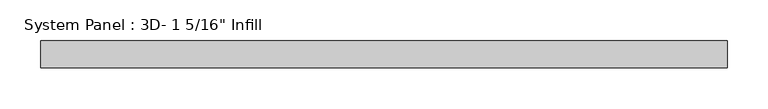
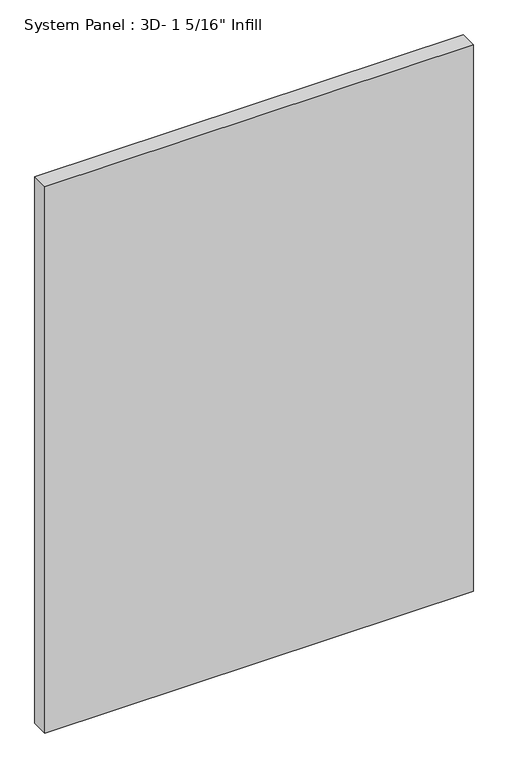
"""IFC4 building model written with IfcOpenShell, lengths in millimetres: plate geometry."""

from ifc_helpers import new_model, si_unit, origin, origin_with_axes, place, context, project, spatial, polyline, outline, extrude, source, transform, mapped, element, save


def plate_fa9a73ec(model_context):
    return source(origin(), model_context, "Body", "SweptSolid", [
        extrude(outline(polyline([(420.6875, -16.66875), (-420.6875, -16.66875), (-420.6875, 16.66875), (420.6875, 16.66875), (420.6875, -16.66875)])), origin_with_axes(), (0.0, 0.0, 1.0), 1133.4701083),
    ])


if __name__ == "__main__":
    model = new_model("IFC4")
    model_context = context("Model", 3, world=origin())
    ifc_project = project(units=[si_unit("LENGTHUNIT", "METRE", prefix="MILLI")], contexts=[model_context])
    site = spatial("IfcSite", under=ifc_project)
    building = spatial("IfcBuilding", under=site)
    placement = place(None, origin())
    plate_shape = plate_fa9a73ec(model_context)
    element("IfcPlate", 1, ObjectType="System Panel : 3D- 1 5/16\" Infill", at=placement, inside=building, context=model_context, shape_type="MappedRepresentation", body=[
        mapped(plate_shape, transform((0.0, 0.0, 0.0), x_axis=(1.0, 0.0, 0.0), y_axis=(0.0, 1.0, 0.0), z_axis=(0.0, 0.0, 1.0))),
    ])
    save(model, "model.ifc")
